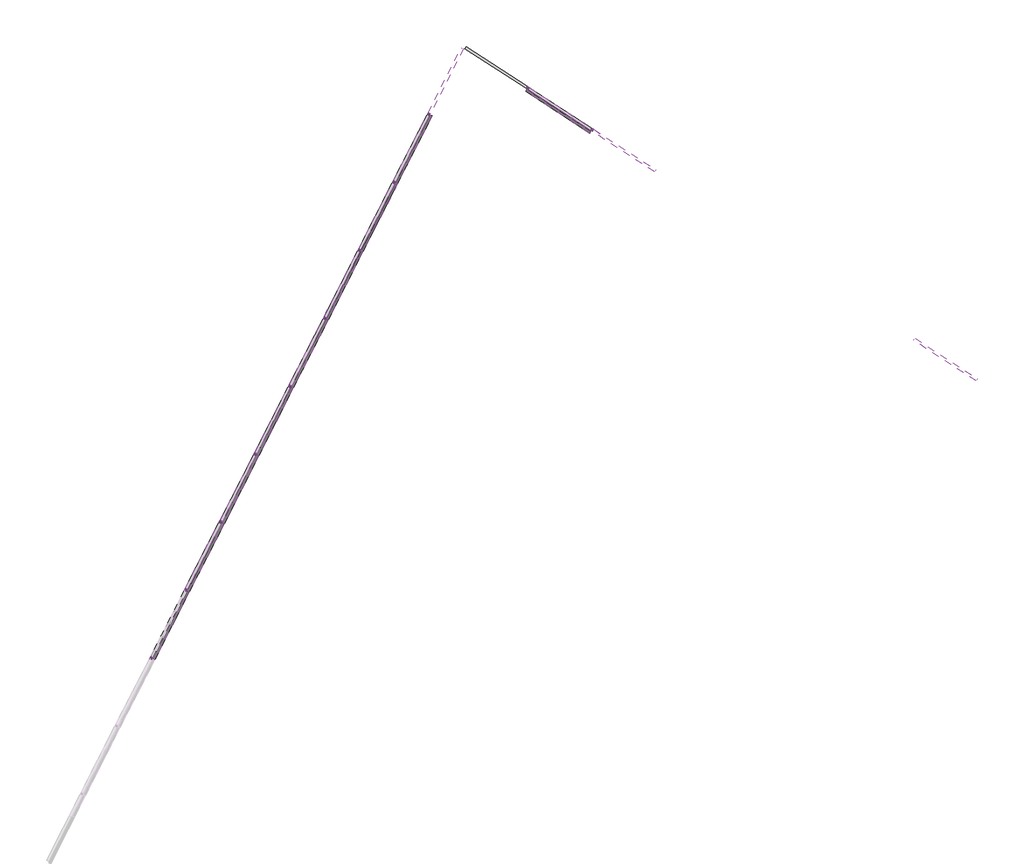
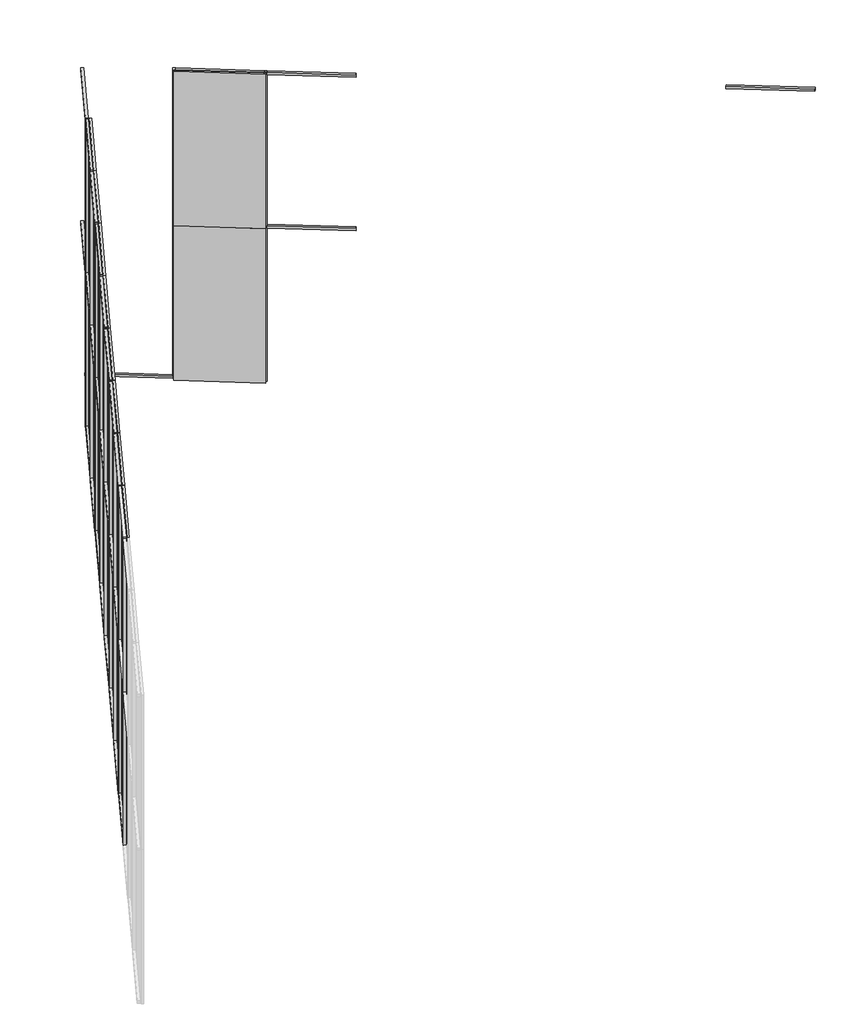
# One storey, part 28 of 36: 53 members, 18 plates.
"""IFC4 building model written with IfcOpenShell, lengths in millimetres."""

import ifcopenshell
import ifcopenshell.guid

model = None  # the IFC model being written
_history = None  # IfcOwnerHistory: only IFC2X3 demands one
_inside = {}  # id of a spatial element -> (the spatial element, [elements in it])
_under = {}  # id of a project, library or spatial element -> (it, [spatial elements below it])
_declared = {}  # id of a project -> (the project, [libraries it declares])
_typed = {}  # id of a type object -> (the type object, [elements of that type])
_made_of = {}  # id of a material, layer set ... -> (it, [elements and type objects made of it])


def new_model(schema):
    """Start an empty IFC model of exactly this schema.

    Asked for "IFC4X3", IfcOpenShell would pick the latest addendum, in which some entities
    have other attributes; the version numbers below select the first issue.
    IFC2X3 requires an IfcOwnerHistory on every rooted entity: one is made here for all.
    """
    global model, _history
    if schema == "IFC4X3":
        model = ifcopenshell.file(schema_version=(4, 3, 0, 0))
    else:
        model = ifcopenshell.file(schema=schema)
    _inside.clear()
    _under.clear()
    _declared.clear()
    _typed.clear()
    _made_of.clear()
    _history = None
    if model.schema == "IFC2X3":
        org = make("IfcOrganization", Name="unknown")
        user = make(
            "IfcPersonAndOrganization",
            ThePerson=make("IfcPerson", FamilyName="unknown"),
            TheOrganization=org,
        )
        app = make(
            "IfcApplication",
            ApplicationDeveloper=org,
            Version="unknown",
            ApplicationFullName="unknown",
            ApplicationIdentifier="unknown",
        )
        _history = make(
            "IfcOwnerHistory",
            OwningUser=user,
            OwningApplication=app,
            ChangeAction="ADDED",
            CreationDate=0,
        )
    return model


def make(cls, **values):
    """One entity of the class cls with the attributes given. An attribute that is None is left unset."""
    return model.create_entity(
        cls, **{name: value for name, value in values.items() if value is not None}
    )


def rooted(cls, **values):
    """An entity with a GlobalId (a new one), such as an element, a storey or a relation."""
    return make(cls, GlobalId=ifcopenshell.guid.new(), OwnerHistory=_history, **values)


def si_unit(unit_type, name, prefix=None):
    """IfcSIUnit, for example si_unit("LENGTHUNIT", "METRE", prefix="MILLI")."""
    return make("IfcSIUnit", UnitType=unit_type, Prefix=prefix, Name=name)


def assignment(units):
    """IfcUnitAssignment: the units of a project."""
    return None if units is None else make("IfcUnitAssignment", Units=units)


def point(xyz):
    """IfcCartesianPoint."""
    return None if xyz is None else make("IfcCartesianPoint", Coordinates=xyz)


def direction(xyz):
    """IfcDirection."""
    return None if xyz is None else make("IfcDirection", DirectionRatios=xyz)


def frame(location, z_axis=None, x_axis=None):
    """IfcAxis2Placement3D, a coordinate frame: its origin and axes. An axis left out is left unset."""
    return make(
        "IfcAxis2Placement3D",
        Location=point(location),
        Axis=direction(z_axis),
        RefDirection=direction(x_axis),
    )


def origin():
    """The frame at (0, 0, 0) with its axes left unset."""
    return frame((0.0, 0.0, 0.0))


def origin_with_axes():
    """The frame at (0, 0, 0) with the z axis (0, 0, 1) and the x axis (1, 0, 0) written out."""
    return frame((0.0, 0.0, 0.0), z_axis=(0.0, 0.0, 1.0), x_axis=(1.0, 0.0, 0.0))


def place(relative_to, where):
    """IfcLocalPlacement: puts the frame where relative to a parent placement (None: the world)."""
    return make(
        "IfcLocalPlacement", PlacementRelTo=relative_to, RelativePlacement=where
    )


def context(
    kind, dimensions, precision=None, world=None, true_north=None, identifier=None
):
    """IfcGeometricRepresentationContext, for example the 3D "Model" context."""
    return make(
        "IfcGeometricRepresentationContext",
        ContextIdentifier=identifier,
        ContextType=kind,
        CoordinateSpaceDimension=dimensions,
        Precision=precision,
        WorldCoordinateSystem=world,
        TrueNorth=true_north,
    )


def project(units=None, contexts=None):
    """IfcProject with its units and contexts."""
    return rooted(
        "IfcProject",
        Name="project",
        RepresentationContexts=contexts,
        UnitsInContext=assignment(units),
    )


def spatial(cls, under=None, at=None, **own):
    """A site, building, storey or space (cls), placed at a placement, below another one or the project."""
    s = rooted(cls, ObjectPlacement=at, **own)
    if under is not None:
        _under.setdefault(under.id(), (under, []))[1].append(s)
    return s


def polyline(points):
    """IfcPolyline through the points."""
    return make("IfcPolyline", Points=[point(p) for p in points])


def outline(outer, holes=None, kind="AREA"):
    """IfcArbitraryClosedProfileDef: a profile drawn as a closed curve; with holes, ...WithVoids."""
    if holes is None:
        return make("IfcArbitraryClosedProfileDef", ProfileType=kind, OuterCurve=outer)
    return make(
        "IfcArbitraryProfileDefWithVoids",
        ProfileType=kind,
        OuterCurve=outer,
        InnerCurves=holes,
    )


def extrude(swept, where, along, depth):
    """IfcExtrudedAreaSolid: the profile swept, set in the frame where, extruded along a direction by depth."""
    return make(
        "IfcExtrudedAreaSolid",
        SweptArea=swept,
        Position=where,
        ExtrudedDirection=direction(along),
        Depth=depth,
    )


def shape(context_of_items, identifier, shape_type, items):
    """IfcShapeRepresentation: the items that make up one representation, for example the "Body"."""
    return make(
        "IfcShapeRepresentation",
        ContextOfItems=context_of_items,
        RepresentationIdentifier=identifier,
        RepresentationType=shape_type,
        Items=items,
    )


def source(mapping_origin, context_of_items, identifier, shape_type, items):
    """IfcRepresentationMap: a shape defined once, which mapped items show again and again."""
    return make(
        "IfcRepresentationMap",
        MappingOrigin=mapping_origin,
        MappedRepresentation=shape(context_of_items, identifier, shape_type, items),
    )


def transform(
    local_origin,
    x_axis=None,
    y_axis=None,
    z_axis=None,
    scale=None,
    scale2=None,
    scale3=None,
    uniform=True,
):
    """IfcCartesianTransformationOperator3D, or its non-uniform kind. x_axis, y_axis, z_axis: its Axis1, 2, 3."""
    if uniform:
        return make(
            "IfcCartesianTransformationOperator3D",
            Axis1=direction(x_axis),
            Axis2=direction(y_axis),
            LocalOrigin=point(local_origin),
            Scale=scale,
            Axis3=direction(z_axis),
        )
    return make(
        "IfcCartesianTransformationOperator3DnonUniform",
        Axis1=direction(x_axis),
        Axis2=direction(y_axis),
        LocalOrigin=point(local_origin),
        Scale=scale,
        Axis3=direction(z_axis),
        Scale2=scale2,
        Scale3=scale3,
    )


def mapped(mapping_source, mapping_target):
    """IfcMappedItem: shows the shape of a source again, moved by a transform."""
    return make(
        "IfcMappedItem", MappingSource=mapping_source, MappingTarget=mapping_target
    )


def made_of(thing, what):
    """Note that an element or type object is made of a material, layer set ...; save() writes the relation."""
    if what is not None:
        _made_of.setdefault(what.id(), (what, []))[1].append(thing)
    return thing


def element(
    cls,
    number,
    at=None,
    inside=None,
    cuts=None,
    type_object=None,
    material=None,
    context=None,
    identifier="Body",
    shape_type=None,
    held_by="IfcProductDefinitionShape",
    body=None,
    shapes=None,
    **own,
):
    """One element of the class cls, such as IfcWall. Its Tag is "e" and its number.

    at: its placement. inside: the storey or other place that contains it. cuts: it is an
    opening in that element (IfcRelVoidsElement). A single representation is given by context,
    identifier, shape_type and body (its items); several are given by shapes. held_by: the class
    of the entity that holds the representations. save() writes the other relations.
    """
    e = rooted(cls, Tag="e%d" % number, ObjectPlacement=at, **own)
    if body is not None:
        shapes = [shape(context, identifier, shape_type, body)]
    if shapes is not None:
        e.Representation = make(held_by, Representations=shapes)
    if inside is not None:
        _inside.setdefault(inside.id(), (inside, []))[1].append(e)
    if cuts is not None:
        rooted(
            "IfcRelVoidsElement", RelatingBuildingElement=cuts, RelatedOpeningElement=e
        )
    if type_object is not None:
        _typed.setdefault(type_object.id(), (type_object, []))[1].append(e)
    return made_of(e, material)


def aggregate(whole, parts):
    """IfcRelAggregates: a whole, such as a stair, and the parts it consists of."""
    return rooted("IfcRelAggregates", RelatingObject=whole, RelatedObjects=parts)


def save(model, path):
    """Write the relations noted so far, then the file.

    IfcRelAggregates (storeys below a building ...), IfcRelContainedInSpatialStructure (elements
    in a storey), IfcRelDefinesByType, IfcRelAssociatesMaterial and IfcRelDeclares: one each for
    every whole, place, type object, material and project.
    """
    for whole, parts in _under.values():
        aggregate(whole, parts)
    for where, things in _inside.values():
        rooted(
            "IfcRelContainedInSpatialStructure",
            RelatedElements=things,
            RelatingStructure=where,
        )
    for kind, things in _typed.values():
        rooted("IfcRelDefinesByType", RelatedObjects=things, RelatingType=kind)
    for what, things in _made_of.values():
        rooted("IfcRelAssociatesMaterial", RelatedObjects=things, RelatingMaterial=what)
    for by, libraries in _declared.values():
        rooted("IfcRelDeclares", RelatingContext=by, RelatedDefinitions=libraries)
    model.write(path)


def rectangular_mullion_30mm_square_e7f0abe1(model_context):
    return source(origin(), model_context, "Body", "SweptSolid", [
        extrude(outline(polyline([(0.0, 15.0), (0.0, -15.0), (-30.0, -15.0), (-30.0, 15.0), (0.0, 15.0)])), frame((0.0, 0.0, -925.7678036), z_axis=(0.0, 0.0, 1.0), x_axis=(1.0, 0.0, 0.0)), (0.0, 0.0, 1.0), 925.7678036),
    ])


def rectangular_mullion_30mm_square_0ccf11ad(model_context):
    return source(origin(), model_context, "Body", "SweptSolid", [
        extrude(outline(polyline([(0.0, 15.0), (0.0, -15.0), (-30.0, -15.0), (-30.0, 15.0), (0.0, 15.0)])), frame((0.0, 0.0, -940.7678036), z_axis=(0.0, 0.0, 1.0), x_axis=(1.0, 0.0, 0.0)), (0.0, 0.0, 1.0), 940.7678036),
    ])


def rectangular_mullion_30mm_square_1795f99e(model_context):
    return source(origin(), model_context, "Body", "SweptSolid", [
        extrude(outline(polyline([(15.0, 15.0), (15.0, -15.0), (-15.0, -15.0), (-15.0, 15.0), (15.0, 15.0)])), frame((0.0, 0.0, -925.7678036), z_axis=(0.0, 0.0, 1.0), x_axis=(1.0, 0.0, 0.0)), (0.0, 0.0, 1.0), 925.7678036),
    ])


def rectangular_mullion_30mm_square_06505b46(model_context):
    return source(origin(), model_context, "Body", "SweptSolid", [
        extrude(outline(polyline([(15.0, 15.0), (15.0, -15.0), (-15.0, -15.0), (-15.0, 15.0), (15.0, 15.0)])), frame((0.0, 0.0, -940.7678036), z_axis=(0.0, 0.0, 1.0), x_axis=(1.0, 0.0, 0.0)), (0.0, 0.0, 1.0), 940.7678036),
    ])


def rectangular_mullion_30mm_square_1a264fd7(model_context):
    return source(origin(), model_context, "Body", "SweptSolid", [
        extrude(outline(polyline([(15.0, 15.0), (15.0, -15.0), (-15.0, -15.0), (-15.0, 15.0), (15.0, 15.0)])), frame((0.0, 0.0, -2000.0), z_axis=(0.0, 0.0, 1.0), x_axis=(1.0, 0.0, 0.0)), (0.0, 0.0, 1.0), 2000.0),
    ])


def rectangular_mullion_30mm_square_94996622(model_context):
    return source(origin(), model_context, "Body", "SweptSolid", [
        extrude(outline(polyline([(0.0, 15.0), (0.0, -15.0), (-30.0, -15.0), (-30.0, 15.0), (0.0, 15.0)])), frame((0.0, 0.0, -930.5291604), z_axis=(0.0, 0.0, 1.0), x_axis=(1.0, 0.0, 0.0)), (0.0, 0.0, 1.0), 930.5291604),
    ])


def rectangular_mullion_30mm_square_bf2679a1(model_context):
    return source(origin(), model_context, "Body", "SweptSolid", [
        extrude(outline(polyline([(0.0, 15.0), (0.0, -15.0), (-30.0, -15.0), (-30.0, 15.0), (0.0, 15.0)])), frame((0.0, 0.0, -945.5291604), z_axis=(0.0, 0.0, 1.0), x_axis=(1.0, 0.0, 0.0)), (0.0, 0.0, 1.0), 945.5291604),
    ])


def rectangular_mullion_30mm_square_2c1a85a9(model_context):
    return source(origin(), model_context, "Body", "SweptSolid", [
        extrude(outline(polyline([(15.0, 15.0), (15.0, -15.0), (-15.0, -15.0), (-15.0, 15.0), (15.0, 15.0)])), frame((0.0, 0.0, -945.5291604), z_axis=(0.0, 0.0, 1.0), x_axis=(1.0, 0.0, 0.0)), (0.0, 0.0, 1.0), 945.5291604),
    ])


def system_panel_glazed_7423400e(model_context):
    return source(origin(), model_context, "Body", "SweptSolid", [
        extrude(outline(polyline([(485.3839018, 24.5), (-485.3839018, 24.5), (-485.3839018, 49.5), (485.3839018, 49.5), (485.3839018, 24.5)])), origin_with_axes(), (0.0, 0.0, 1.0), 2000.0),
    ])


def system_panel_glazed_f4e782a6(model_context):
    return source(origin(), model_context, "Body", "SweptSolid", [
        extrude(outline(polyline([(487.7645802, 24.5), (-487.7645802, 24.5), (-487.7645802, 49.5), (487.7645802, 49.5), (487.7645802, 24.5)])), origin_with_axes(), (0.0, 0.0, 1.0), 2000.0),
    ])


model = new_model("IFC4")

# Units and contexts
model_context = context("Model", 3, world=origin())
ifc_project = project(units=[si_unit("LENGTHUNIT", "METRE", prefix="MILLI")], contexts=[model_context])

# Site, building, storey
site = spatial("IfcSite", under=ifc_project)
building = spatial("IfcBuilding", under=site)
storey = spatial("IfcBuildingStorey", under=building, Elevation=8680.0)

# Members
placement = place(None, origin())
rectangular_mullion_30mm_square_shape = rectangular_mullion_30mm_square_e7f0abe1(model_context)
element("IfcMember", 1, ObjectType="Rectangular Mullion : 30mm Square", at=placement, inside=storey, context=model_context, shape_type="MappedRepresentation", body=[
    mapped(rectangular_mullion_30mm_square_shape, transform((-278309.3774428, 95616.2852906, 12680.0), x_axis=(0.0, 0.0, 1.0), y_axis=(-0.8906805985626228, 0.4546295979631419, 0.0), z_axis=(-0.4546295979631419, -0.8906805985626228, 0.0))),
])
rectangular_mullion_30mm_square_2_shape = rectangular_mullion_30mm_square_0ccf11ad(model_context)
element("IfcMember", 2, ObjectType="Rectangular Mullion : 30mm Square", at=placement, inside=storey, context=model_context, shape_type="MappedRepresentation", body=[
    mapped(rectangular_mullion_30mm_square_2_shape, transform((-278750.7172191, 94751.6412422, 12680.0), x_axis=(0.0, 0.0, 1.0), y_axis=(-0.8906805985626228, 0.4546295979631419, 0.0), z_axis=(-0.4546295979631419, -0.8906805985626228, 0.0))),
])
element("IfcMember", 3, ObjectType="Rectangular Mullion : 30mm Square", at=placement, inside=storey, context=model_context, shape_type="MappedRepresentation", body=[
    mapped(rectangular_mullion_30mm_square_2_shape, transform((-279192.0569954, 93886.9971938, 12680.0), x_axis=(0.0, 0.0, 1.0), y_axis=(-0.8906805985626083, 0.45462959796317015, 0.0), z_axis=(-0.45462959796317015, -0.8906805985626083, 0.0))),
])
element("IfcMember", 4, ObjectType="Rectangular Mullion : 30mm Square", at=placement, inside=storey, context=model_context, shape_type="MappedRepresentation", body=[
    mapped(rectangular_mullion_30mm_square_2_shape, transform((-279633.3967717, 93022.3531454, 12680.0), x_axis=(0.0, 0.0, 1.0), y_axis=(-0.8906805985626373, 0.45462959796311353, 0.0), z_axis=(-0.45462959796311353, -0.8906805985626373, 0.0))),
])
element("IfcMember", 5, ObjectType="Rectangular Mullion : 30mm Square", at=placement, inside=storey, context=model_context, shape_type="MappedRepresentation", body=[
    mapped(rectangular_mullion_30mm_square_2_shape, transform((-280074.736548, 92157.709097, 12680.0), x_axis=(0.0, 0.0, 1.0), y_axis=(-0.8906805985626083, 0.45462959796317015, 0.0), z_axis=(-0.45462959796317015, -0.8906805985626083, 0.0))),
])
element("IfcMember", 6, ObjectType="Rectangular Mullion : 30mm Square", at=placement, inside=storey, context=model_context, shape_type="MappedRepresentation", body=[
    mapped(rectangular_mullion_30mm_square_2_shape, transform((-280516.0763242, 91293.0650486, 12680.0), x_axis=(0.0, 0.0, 1.0), y_axis=(-0.8906805985626265, 0.4546295979631347, 0.0), z_axis=(-0.4546295979631347, -0.8906805985626265, 0.0))),
])
element("IfcMember", 7, ObjectType="Rectangular Mullion : 30mm Square", at=placement, inside=storey, context=model_context, shape_type="MappedRepresentation", body=[
    mapped(rectangular_mullion_30mm_square_2_shape, transform((-280957.4161005, 90428.4210002, 12680.0), x_axis=(0.0, 0.0, 1.0), y_axis=(-0.8906805985626228, 0.4546295979631419, 0.0), z_axis=(-0.4546295979631419, -0.8906805985626228, 0.0))),
])
element("IfcMember", 8, ObjectType="Rectangular Mullion : 30mm Square", at=placement, inside=storey, context=model_context, shape_type="MappedRepresentation", body=[
    mapped(rectangular_mullion_30mm_square_2_shape, transform((-281398.7558768, 89563.7769518, 12680.0), x_axis=(0.0, 0.0, 1.0), y_axis=(-0.8906805985626228, 0.4546295979631419, 0.0), z_axis=(-0.4546295979631419, -0.8906805985626228, 0.0))),
])
element("IfcMember", 9, ObjectType="Rectangular Mullion : 30mm Square", at=placement, inside=storey, context=model_context, shape_type="MappedRepresentation", body=[
    mapped(rectangular_mullion_30mm_square_2_shape, transform((-278323.0163308, 95589.5648727, 8680.0), x_axis=(0.0, 0.0, -1.0), y_axis=(-0.8906805985626228, 0.4546295979631419, 0.0), z_axis=(0.4546295979631419, 0.8906805985626228, 0.0))),
])
element("IfcMember", 10, ObjectType="Rectangular Mullion : 30mm Square", at=placement, inside=storey, context=model_context, shape_type="MappedRepresentation", body=[
    mapped(rectangular_mullion_30mm_square_2_shape, transform((-278764.3561071, 94724.9208243, 8680.0), x_axis=(0.0, 0.0, -1.0), y_axis=(-0.8906805985626228, 0.4546295979631419, 0.0), z_axis=(0.4546295979631419, 0.8906805985626228, 0.0))),
])
element("IfcMember", 11, ObjectType="Rectangular Mullion : 30mm Square", at=placement, inside=storey, context=model_context, shape_type="MappedRepresentation", body=[
    mapped(rectangular_mullion_30mm_square_2_shape, transform((-279205.6958833, 93860.2767759, 8680.0), x_axis=(0.0, 0.0, -1.0), y_axis=(-0.8906805985626228, 0.4546295979631419, 0.0), z_axis=(0.4546295979631419, 0.8906805985626228, 0.0))),
])
element("IfcMember", 12, ObjectType="Rectangular Mullion : 30mm Square", at=placement, inside=storey, context=model_context, shape_type="MappedRepresentation", body=[
    mapped(rectangular_mullion_30mm_square_2_shape, transform((-279647.0356596, 92995.6327275, 8680.0), x_axis=(0.0, 0.0, -1.0), y_axis=(-0.8906805985626121, 0.454629597963163, 0.0), z_axis=(0.45462959796316293, 0.890680598562612, 0.0))),
])
element("IfcMember", 13, ObjectType="Rectangular Mullion : 30mm Square", at=placement, inside=storey, context=model_context, shape_type="MappedRepresentation", body=[
    mapped(rectangular_mullion_30mm_square_2_shape, transform((-280088.3754359, 92130.9886791, 8680.0), x_axis=(0.0, 0.0, -1.0), y_axis=(-0.8906805985626192, 0.4546295979631491, 0.0), z_axis=(0.4546295979631491, 0.8906805985626192, 0.0))),
])
element("IfcMember", 14, ObjectType="Rectangular Mullion : 30mm Square", at=placement, inside=storey, context=model_context, shape_type="MappedRepresentation", body=[
    mapped(rectangular_mullion_30mm_square_2_shape, transform((-280529.7152122, 91266.3446307, 8680.0), x_axis=(0.0, 0.0, -1.0), y_axis=(-0.8906805985626265, 0.4546295979631347, 0.0), z_axis=(0.4546295979631347, 0.8906805985626265, 0.0))),
])
element("IfcMember", 15, ObjectType="Rectangular Mullion : 30mm Square", at=placement, inside=storey, context=model_context, shape_type="MappedRepresentation", body=[
    mapped(rectangular_mullion_30mm_square_2_shape, transform((-280971.0549885, 90401.7005822, 8680.0), x_axis=(0.0, 0.0, -1.0), y_axis=(-0.8906805985626228, 0.4546295979631419, 0.0), z_axis=(0.4546295979631419, 0.8906805985626228, 0.0))),
])
element("IfcMember", 16, ObjectType="Rectangular Mullion : 30mm Square", at=placement, inside=storey, context=model_context, shape_type="MappedRepresentation", body=[
    mapped(rectangular_mullion_30mm_square_2_shape, transform((-281412.3947647, 89537.0565338, 8680.0), x_axis=(0.0, 0.0, -1.0), y_axis=(-0.8906805985626228, 0.4546295979631419, 0.0), z_axis=(0.4546295979631419, 0.8906805985626228, 0.0))),
])
rectangular_mullion_30mm_square_3_shape = rectangular_mullion_30mm_square_1795f99e(model_context)
element("IfcMember", 17, ObjectType="Rectangular Mullion : 30mm Square", at=placement, inside=storey, context=model_context, shape_type="MappedRepresentation", body=[
    mapped(rectangular_mullion_30mm_square_3_shape, transform((-278309.3774428, 95616.2852906, 10680.0), x_axis=(0.0, 0.0, 1.0), y_axis=(-0.8906805985626228, 0.4546295979631419, 0.0), z_axis=(-0.4546295979631419, -0.8906805985626228, 0.0))),
])
rectangular_mullion_30mm_square_4_shape = rectangular_mullion_30mm_square_06505b46(model_context)
element("IfcMember", 18, ObjectType="Rectangular Mullion : 30mm Square", at=placement, inside=storey, context=model_context, shape_type="MappedRepresentation", body=[
    mapped(rectangular_mullion_30mm_square_4_shape, transform((-278750.7172191, 94751.6412422, 10680.0), x_axis=(0.0, 0.0, 1.0), y_axis=(-0.8906805985626228, 0.4546295979631419, 0.0), z_axis=(-0.4546295979631419, -0.8906805985626228, 0.0))),
])
element("IfcMember", 19, ObjectType="Rectangular Mullion : 30mm Square", at=placement, inside=storey, context=model_context, shape_type="MappedRepresentation", body=[
    mapped(rectangular_mullion_30mm_square_4_shape, transform((-279192.0569954, 93886.9971938, 10680.0), x_axis=(0.0, 0.0, 1.0), y_axis=(-0.8906805985626228, 0.4546295979631419, 0.0), z_axis=(-0.4546295979631419, -0.8906805985626228, 0.0))),
])
element("IfcMember", 20, ObjectType="Rectangular Mullion : 30mm Square", at=placement, inside=storey, context=model_context, shape_type="MappedRepresentation", body=[
    mapped(rectangular_mullion_30mm_square_4_shape, transform((-279633.3967717, 93022.3531454, 10680.0), x_axis=(0.0, 0.0, 1.0), y_axis=(-0.8906805985626228, 0.4546295979631419, 0.0), z_axis=(-0.4546295979631419, -0.8906805985626228, 0.0))),
])
element("IfcMember", 21, ObjectType="Rectangular Mullion : 30mm Square", at=placement, inside=storey, context=model_context, shape_type="MappedRepresentation", body=[
    mapped(rectangular_mullion_30mm_square_4_shape, transform((-280074.736548, 92157.709097, 10680.0), x_axis=(0.0, 0.0, 1.0), y_axis=(-0.8906805985626083, 0.45462959796317015, 0.0), z_axis=(-0.45462959796317015, -0.8906805985626083, 0.0))),
])
element("IfcMember", 22, ObjectType="Rectangular Mullion : 30mm Square", at=placement, inside=storey, context=model_context, shape_type="MappedRepresentation", body=[
    mapped(rectangular_mullion_30mm_square_4_shape, transform((-280516.0763242, 91293.0650486, 10680.0), x_axis=(0.0, 0.0, 1.0), y_axis=(-0.8906805985626265, 0.4546295979631347, 0.0), z_axis=(-0.4546295979631347, -0.8906805985626265, 0.0))),
])
element("IfcMember", 23, ObjectType="Rectangular Mullion : 30mm Square", at=placement, inside=storey, context=model_context, shape_type="MappedRepresentation", body=[
    mapped(rectangular_mullion_30mm_square_4_shape, transform((-280957.4161005, 90428.4210002, 10680.0), x_axis=(0.0, 0.0, 1.0), y_axis=(-0.8906805985626228, 0.4546295979631419, 0.0), z_axis=(-0.4546295979631419, -0.8906805985626228, 0.0))),
])
element("IfcMember", 24, ObjectType="Rectangular Mullion : 30mm Square", at=placement, inside=storey, context=model_context, shape_type="MappedRepresentation", body=[
    mapped(rectangular_mullion_30mm_square_4_shape, transform((-281398.7558768, 89563.7769518, 10680.0), x_axis=(0.0, 0.0, 1.0), y_axis=(-0.8906805985626228, 0.4546295979631419, 0.0), z_axis=(-0.4546295979631419, -0.8906805985626228, 0.0))),
])
rectangular_mullion_30mm_square_5_shape = rectangular_mullion_30mm_square_1a264fd7(model_context)
element("IfcMember", 25, ObjectType="Rectangular Mullion : 30mm Square", at=placement, inside=storey, context=model_context, shape_type="MappedRepresentation", body=[
    mapped(rectangular_mullion_30mm_square_5_shape, transform((-278316.1968868, 95602.9250817, 8680.0), x_axis=(-0.4546295979631433, -0.890680598562622, 0.0), y_axis=(-0.890680598562622, 0.4546295979631433, 0.0), z_axis=(0.0, 0.0, -1.0))),
])
element("IfcMember", 26, ObjectType="Rectangular Mullion : 30mm Square", at=placement, inside=storey, context=model_context, shape_type="MappedRepresentation", body=[
    mapped(rectangular_mullion_30mm_square_5_shape, transform((-278757.5366631, 94738.2810333, 8680.0), x_axis=(-0.4546295979631433, -0.890680598562622, 0.0), y_axis=(-0.890680598562622, 0.4546295979631433, 0.0), z_axis=(0.0, 0.0, -1.0))),
])
element("IfcMember", 27, ObjectType="Rectangular Mullion : 30mm Square", at=placement, inside=storey, context=model_context, shape_type="MappedRepresentation", body=[
    mapped(rectangular_mullion_30mm_square_5_shape, transform((-279198.8764394, 93873.6369849, 8680.0), x_axis=(-0.4546295979631433, -0.890680598562622, 0.0), y_axis=(-0.890680598562622, 0.4546295979631433, 0.0), z_axis=(0.0, 0.0, -1.0))),
])
element("IfcMember", 28, ObjectType="Rectangular Mullion : 30mm Square", at=placement, inside=storey, context=model_context, shape_type="MappedRepresentation", body=[
    mapped(rectangular_mullion_30mm_square_5_shape, transform((-279640.2162156, 93008.9929364, 8680.0), x_axis=(-0.4546295979631433, -0.890680598562622, 0.0), y_axis=(-0.890680598562622, 0.4546295979631433, 0.0), z_axis=(0.0, 0.0, -1.0))),
])
element("IfcMember", 29, ObjectType="Rectangular Mullion : 30mm Square", at=placement, inside=storey, context=model_context, shape_type="MappedRepresentation", body=[
    mapped(rectangular_mullion_30mm_square_5_shape, transform((-280081.5559919, 92144.348888, 8680.0), x_axis=(-0.4546295979631433, -0.890680598562622, 0.0), y_axis=(-0.890680598562622, 0.4546295979631433, 0.0), z_axis=(0.0, 0.0, -1.0))),
])
element("IfcMember", 30, ObjectType="Rectangular Mullion : 30mm Square", at=placement, inside=storey, context=model_context, shape_type="MappedRepresentation", body=[
    mapped(rectangular_mullion_30mm_square_5_shape, transform((-280522.8957682, 91279.7048396, 8680.0), x_axis=(-0.4546295979631433, -0.890680598562622, 0.0), y_axis=(-0.890680598562622, 0.4546295979631433, 0.0), z_axis=(0.0, 0.0, -1.0))),
])
element("IfcMember", 31, ObjectType="Rectangular Mullion : 30mm Square", at=placement, inside=storey, context=model_context, shape_type="MappedRepresentation", body=[
    mapped(rectangular_mullion_30mm_square_5_shape, transform((-280964.2355445, 90415.0607912, 8680.0), x_axis=(-0.4546295979631433, -0.890680598562622, 0.0), y_axis=(-0.890680598562622, 0.4546295979631433, 0.0), z_axis=(0.0, 0.0, -1.0))),
])
element("IfcMember", 32, ObjectType="Rectangular Mullion : 30mm Square", at=placement, inside=storey, context=model_context, shape_type="MappedRepresentation", body=[
    mapped(rectangular_mullion_30mm_square_5_shape, transform((-281405.5753208, 89550.4167428, 8680.0), x_axis=(-0.4546295979631433, -0.890680598562622, 0.0), y_axis=(-0.890680598562622, 0.4546295979631433, 0.0), z_axis=(0.0, 0.0, -1.0))),
])
element("IfcMember", 33, ObjectType="Rectangular Mullion : 30mm Square", at=placement, inside=storey, context=model_context, shape_type="MappedRepresentation", body=[
    mapped(rectangular_mullion_30mm_square_5_shape, transform((-281846.9150971, 88685.7726944, 8680.0), x_axis=(-0.4546295979631433, -0.890680598562622, 0.0), y_axis=(-0.890680598562622, 0.4546295979631433, 0.0), z_axis=(0.0, 0.0, -1.0))),
])
element("IfcMember", 34, ObjectType="Rectangular Mullion : 30mm Square", at=placement, inside=storey, context=model_context, shape_type="MappedRepresentation", body=[
    mapped(rectangular_mullion_30mm_square_5_shape, transform((-276239.0282636, 95404.2288482, 8680.0), x_axis=(-0.8384315473249511, 0.5450069178003967, 0.0), y_axis=(0.5450069178003967, 0.8384315473249511, 0.0), z_axis=(0.0, 0.0, -1.0))),
])
element("IfcMember", 35, ObjectType="Rectangular Mullion : 30mm Square", at=placement, inside=storey, context=model_context, shape_type="MappedRepresentation", body=[
    mapped(rectangular_mullion_30mm_square_5_shape, transform((-277056.9426871, 95935.8989891, 8680.0), x_axis=(-0.8384315473249511, 0.5450069178003967, 0.0), y_axis=(0.5450069178003967, 0.8384315473249511, 0.0), z_axis=(0.0, 0.0, -1.0))),
])
element("IfcMember", 36, ObjectType="Rectangular Mullion : 30mm Square", at=placement, inside=storey, context=model_context, shape_type="MappedRepresentation", body=[
    mapped(rectangular_mullion_30mm_square_5_shape, transform((-278316.1968868, 95602.9250817, 10680.0), x_axis=(-0.4546295979631433, -0.890680598562622, 0.0), y_axis=(-0.890680598562622, 0.4546295979631433, 0.0), z_axis=(0.0, 0.0, -1.0))),
])
element("IfcMember", 37, ObjectType="Rectangular Mullion : 30mm Square", at=placement, inside=storey, context=model_context, shape_type="MappedRepresentation", body=[
    mapped(rectangular_mullion_30mm_square_5_shape, transform((-278757.5366631, 94738.2810333, 10680.0), x_axis=(-0.4546295979631433, -0.890680598562622, 0.0), y_axis=(-0.890680598562622, 0.4546295979631433, 0.0), z_axis=(0.0, 0.0, -1.0))),
])
element("IfcMember", 38, ObjectType="Rectangular Mullion : 30mm Square", at=placement, inside=storey, context=model_context, shape_type="MappedRepresentation", body=[
    mapped(rectangular_mullion_30mm_square_5_shape, transform((-279198.8764394, 93873.6369849, 10680.0), x_axis=(-0.4546295979631433, -0.890680598562622, 0.0), y_axis=(-0.890680598562622, 0.4546295979631433, 0.0), z_axis=(0.0, 0.0, -1.0))),
])
element("IfcMember", 39, ObjectType="Rectangular Mullion : 30mm Square", at=placement, inside=storey, context=model_context, shape_type="MappedRepresentation", body=[
    mapped(rectangular_mullion_30mm_square_5_shape, transform((-279640.2162156, 93008.9929364, 10680.0), x_axis=(-0.4546295979631433, -0.890680598562622, 0.0), y_axis=(-0.890680598562622, 0.4546295979631433, 0.0), z_axis=(0.0, 0.0, -1.0))),
])
element("IfcMember", 40, ObjectType="Rectangular Mullion : 30mm Square", at=placement, inside=storey, context=model_context, shape_type="MappedRepresentation", body=[
    mapped(rectangular_mullion_30mm_square_5_shape, transform((-280081.5559919, 92144.348888, 10680.0), x_axis=(-0.4546295979631433, -0.890680598562622, 0.0), y_axis=(-0.890680598562622, 0.4546295979631433, 0.0), z_axis=(0.0, 0.0, -1.0))),
])
element("IfcMember", 41, ObjectType="Rectangular Mullion : 30mm Square", at=placement, inside=storey, context=model_context, shape_type="MappedRepresentation", body=[
    mapped(rectangular_mullion_30mm_square_5_shape, transform((-280522.8957682, 91279.7048396, 10680.0), x_axis=(-0.4546295979631433, -0.890680598562622, 0.0), y_axis=(-0.890680598562622, 0.4546295979631433, 0.0), z_axis=(0.0, 0.0, -1.0))),
])
element("IfcMember", 42, ObjectType="Rectangular Mullion : 30mm Square", at=placement, inside=storey, context=model_context, shape_type="MappedRepresentation", body=[
    mapped(rectangular_mullion_30mm_square_5_shape, transform((-280964.2355445, 90415.0607912, 10680.0), x_axis=(-0.4546295979631433, -0.890680598562622, 0.0), y_axis=(-0.890680598562622, 0.4546295979631433, 0.0), z_axis=(0.0, 0.0, -1.0))),
])
element("IfcMember", 43, ObjectType="Rectangular Mullion : 30mm Square", at=placement, inside=storey, context=model_context, shape_type="MappedRepresentation", body=[
    mapped(rectangular_mullion_30mm_square_5_shape, transform((-281405.5753208, 89550.4167428, 10680.0), x_axis=(-0.4546295979631433, -0.890680598562622, 0.0), y_axis=(-0.890680598562622, 0.4546295979631433, 0.0), z_axis=(0.0, 0.0, -1.0))),
])
element("IfcMember", 44, ObjectType="Rectangular Mullion : 30mm Square", at=placement, inside=storey, context=model_context, shape_type="MappedRepresentation", body=[
    mapped(rectangular_mullion_30mm_square_5_shape, transform((-281846.9150971, 88685.7726944, 10680.0), x_axis=(-0.4546295979631433, -0.890680598562622, 0.0), y_axis=(-0.890680598562622, 0.4546295979631433, 0.0), z_axis=(0.0, 0.0, -1.0))),
])
element("IfcMember", 45, ObjectType="Rectangular Mullion : 30mm Square", at=placement, inside=storey, context=model_context, shape_type="MappedRepresentation", body=[
    mapped(rectangular_mullion_30mm_square_5_shape, transform((-276239.0282636, 95404.2288482, 10680.0), x_axis=(-0.8384315473249511, 0.5450069178003967, 0.0), y_axis=(0.5450069178003967, 0.8384315473249511, 0.0), z_axis=(0.0, 0.0, -1.0))),
])
element("IfcMember", 46, ObjectType="Rectangular Mullion : 30mm Square", at=placement, inside=storey, context=model_context, shape_type="MappedRepresentation", body=[
    mapped(rectangular_mullion_30mm_square_5_shape, transform((-277056.9426871, 95935.8989891, 10680.0), x_axis=(-0.8384315473249511, 0.5450069178003967, 0.0), y_axis=(0.5450069178003967, 0.8384315473249511, 0.0), z_axis=(0.0, 0.0, -1.0))),
])
rectangular_mullion_30mm_square_6_shape = rectangular_mullion_30mm_square_94996622(model_context)
element("IfcMember", 47, ObjectType="Rectangular Mullion : 30mm Square", at=placement, inside=storey, context=model_context, shape_type="MappedRepresentation", body=[
    mapped(rectangular_mullion_30mm_square_6_shape, transform((-277069.5191603, 95944.0740929, 8680.0), x_axis=(0.0, 0.0, -1.0), y_axis=(0.5450069178003885, 0.8384315473249564, 0.0), z_axis=(0.8384315473249564, -0.5450069178003885, 0.0))),
])
rectangular_mullion_30mm_square_7_shape = rectangular_mullion_30mm_square_bf2679a1(model_context)
element("IfcMember", 48, ObjectType="Rectangular Mullion : 30mm Square", at=placement, inside=storey, context=model_context, shape_type="MappedRepresentation", body=[
    mapped(rectangular_mullion_30mm_square_7_shape, transform((-272136.8796732, 92737.7030396, 12680.0), x_axis=(0.0, 0.0, 1.0), y_axis=(0.5450069178004098, 0.8384315473249426, 0.0), z_axis=(-0.8384315473249425, 0.5450069178004097, 0.0))),
])
element("IfcMember", 49, ObjectType="Rectangular Mullion : 30mm Square", at=placement, inside=storey, context=model_context, shape_type="MappedRepresentation", body=[
    mapped(rectangular_mullion_30mm_square_7_shape, transform((-276226.4517904, 95396.0537444, 12680.0), x_axis=(0.0, 0.0, 1.0), y_axis=(0.5450069178003972, 0.8384315473249507, 0.0), z_axis=(-0.8384315473249507, 0.5450069178003972, 0.0))),
])
element("IfcMember", 50, ObjectType="Rectangular Mullion : 30mm Square", at=placement, inside=storey, context=model_context, shape_type="MappedRepresentation", body=[
    mapped(rectangular_mullion_30mm_square_7_shape, transform((-277044.3662139, 95927.7238853, 12680.0), x_axis=(0.0, 0.0, 1.0), y_axis=(0.5450069178004098, 0.8384315473249426, 0.0), z_axis=(-0.8384315473249425, 0.5450069178004097, 0.0))),
])
element("IfcMember", 51, ObjectType="Rectangular Mullion : 30mm Square", at=placement, inside=storey, context=model_context, shape_type="MappedRepresentation", body=[
    mapped(rectangular_mullion_30mm_square_7_shape, transform((-276251.6047368, 95412.4039519, 8680.0), x_axis=(0.0, 0.0, -1.0), y_axis=(0.5450069178004098, 0.8384315473249426, 0.0), z_axis=(0.8384315473249425, -0.5450069178004097, 0.0))),
])
rectangular_mullion_30mm_square_8_shape = rectangular_mullion_30mm_square_2c1a85a9(model_context)
element("IfcMember", 52, ObjectType="Rectangular Mullion : 30mm Square", at=placement, inside=storey, context=model_context, shape_type="MappedRepresentation", body=[
    mapped(rectangular_mullion_30mm_square_8_shape, transform((-276226.4517904, 95396.0537444, 10680.0), x_axis=(0.0, 0.0, 1.0), y_axis=(0.5450069178003972, 0.8384315473249507, 0.0), z_axis=(-0.8384315473249507, 0.5450069178003972, 0.0))),
])
element("IfcMember", 53, ObjectType="Rectangular Mullion : 30mm Square", at=placement, inside=storey, context=model_context, shape_type="MappedRepresentation", body=[
    mapped(rectangular_mullion_30mm_square_8_shape, transform((-277044.3662139, 95927.7238853, 10680.0), x_axis=(0.0, 0.0, 1.0), y_axis=(0.5450069178004098, 0.8384315473249426, 0.0), z_axis=(-0.8384315473249425, 0.5450069178004097, 0.0))),
])

# Plates
system_panel_glazed_shape = system_panel_glazed_7423400e(model_context)
element("IfcPlate", 54, ObjectType="System Panel : Glazed", at=placement, inside=storey, context=model_context, shape_type="MappedRepresentation", body=[
    mapped(system_panel_glazed_shape, transform((-278536.8667749, 95170.6030575, 8680.0), x_axis=(-0.4546295979631433, -0.890680598562622, 0.0), y_axis=(0.890680598562622, -0.4546295979631433, 0.0), z_axis=(0.0, 0.0, 1.0))),
])
element("IfcPlate", 55, ObjectType="System Panel : Glazed", at=placement, inside=storey, context=model_context, shape_type="MappedRepresentation", body=[
    mapped(system_panel_glazed_shape, transform((-278978.2065512, 94305.9590091, 8680.0), x_axis=(-0.4546295979631433, -0.890680598562622, 0.0), y_axis=(0.890680598562622, -0.4546295979631433, 0.0), z_axis=(0.0, 0.0, 1.0))),
])
element("IfcPlate", 56, ObjectType="System Panel : Glazed", at=placement, inside=storey, context=model_context, shape_type="MappedRepresentation", body=[
    mapped(system_panel_glazed_shape, transform((-279419.5463275, 93441.3149606, 8680.0), x_axis=(-0.4546295979631433, -0.890680598562622, 0.0), y_axis=(0.890680598562622, -0.4546295979631433, 0.0), z_axis=(0.0, 0.0, 1.0))),
])
element("IfcPlate", 57, ObjectType="System Panel : Glazed", at=placement, inside=storey, context=model_context, shape_type="MappedRepresentation", body=[
    mapped(system_panel_glazed_shape, transform((-279860.8861038, 92576.6709122, 8680.0), x_axis=(-0.4546295979631433, -0.890680598562622, 0.0), y_axis=(0.890680598562622, -0.4546295979631433, 0.0), z_axis=(0.0, 0.0, 1.0))),
])
element("IfcPlate", 58, ObjectType="System Panel : Glazed", at=placement, inside=storey, context=model_context, shape_type="MappedRepresentation", body=[
    mapped(system_panel_glazed_shape, transform((-280302.2258801, 91712.0268638, 8680.0), x_axis=(-0.4546295979631433, -0.890680598562622, 0.0), y_axis=(0.890680598562622, -0.4546295979631433, 0.0), z_axis=(0.0, 0.0, 1.0))),
])
element("IfcPlate", 59, ObjectType="System Panel : Glazed", at=placement, inside=storey, context=model_context, shape_type="MappedRepresentation", body=[
    mapped(system_panel_glazed_shape, transform((-280743.5656564, 90847.3828154, 8680.0), x_axis=(-0.4546295979631433, -0.890680598562622, 0.0), y_axis=(0.890680598562622, -0.4546295979631433, 0.0), z_axis=(0.0, 0.0, 1.0))),
])
element("IfcPlate", 60, ObjectType="System Panel : Glazed", at=placement, inside=storey, context=model_context, shape_type="MappedRepresentation", body=[
    mapped(system_panel_glazed_shape, transform((-281184.9054326, 89982.738767, 8680.0), x_axis=(-0.4546295979631433, -0.890680598562622, 0.0), y_axis=(0.890680598562622, -0.4546295979631433, 0.0), z_axis=(0.0, 0.0, 1.0))),
])
element("IfcPlate", 61, ObjectType="System Panel : Glazed", at=placement, inside=storey, context=model_context, shape_type="MappedRepresentation", body=[
    mapped(system_panel_glazed_shape, transform((-281626.2452089, 89118.0947186, 8680.0), x_axis=(-0.4546295979631433, -0.890680598562622, 0.0), y_axis=(0.890680598562622, -0.4546295979631433, 0.0), z_axis=(0.0, 0.0, 1.0))),
])
element("IfcPlate", 62, ObjectType="System Panel : Glazed", at=placement, inside=storey, context=model_context, shape_type="MappedRepresentation", body=[
    mapped(system_panel_glazed_shape, transform((-278536.8667749, 95170.6030575, 10680.0), x_axis=(-0.4546295979631433, -0.890680598562622, 0.0), y_axis=(0.890680598562622, -0.4546295979631433, 0.0), z_axis=(0.0, 0.0, 1.0))),
])
element("IfcPlate", 63, ObjectType="System Panel : Glazed", at=placement, inside=storey, context=model_context, shape_type="MappedRepresentation", body=[
    mapped(system_panel_glazed_shape, transform((-278978.2065512, 94305.9590091, 10680.0), x_axis=(-0.4546295979631433, -0.890680598562622, 0.0), y_axis=(0.890680598562622, -0.4546295979631433, 0.0), z_axis=(0.0, 0.0, 1.0))),
])
element("IfcPlate", 64, ObjectType="System Panel : Glazed", at=placement, inside=storey, context=model_context, shape_type="MappedRepresentation", body=[
    mapped(system_panel_glazed_shape, transform((-279419.5463275, 93441.3149606, 10680.0), x_axis=(-0.4546295979631433, -0.890680598562622, 0.0), y_axis=(0.890680598562622, -0.4546295979631433, 0.0), z_axis=(0.0, 0.0, 1.0))),
])
element("IfcPlate", 65, ObjectType="System Panel : Glazed", at=placement, inside=storey, context=model_context, shape_type="MappedRepresentation", body=[
    mapped(system_panel_glazed_shape, transform((-279860.8861038, 92576.6709122, 10680.0), x_axis=(-0.4546295979631433, -0.890680598562622, 0.0), y_axis=(0.890680598562622, -0.4546295979631433, 0.0), z_axis=(0.0, 0.0, 1.0))),
])
element("IfcPlate", 66, ObjectType="System Panel : Glazed", at=placement, inside=storey, context=model_context, shape_type="MappedRepresentation", body=[
    mapped(system_panel_glazed_shape, transform((-280302.2258801, 91712.0268638, 10680.0), x_axis=(-0.4546295979631433, -0.890680598562622, 0.0), y_axis=(0.890680598562622, -0.4546295979631433, 0.0), z_axis=(0.0, 0.0, 1.0))),
])
element("IfcPlate", 67, ObjectType="System Panel : Glazed", at=placement, inside=storey, context=model_context, shape_type="MappedRepresentation", body=[
    mapped(system_panel_glazed_shape, transform((-280743.5656564, 90847.3828154, 10680.0), x_axis=(-0.4546295979631433, -0.890680598562622, 0.0), y_axis=(0.890680598562622, -0.4546295979631433, 0.0), z_axis=(0.0, 0.0, 1.0))),
])
element("IfcPlate", 68, ObjectType="System Panel : Glazed", at=placement, inside=storey, context=model_context, shape_type="MappedRepresentation", body=[
    mapped(system_panel_glazed_shape, transform((-281184.9054326, 89982.738767, 10680.0), x_axis=(-0.4546295979631433, -0.890680598562622, 0.0), y_axis=(0.890680598562622, -0.4546295979631433, 0.0), z_axis=(0.0, 0.0, 1.0))),
])
element("IfcPlate", 69, ObjectType="System Panel : Glazed", at=placement, inside=storey, context=model_context, shape_type="MappedRepresentation", body=[
    mapped(system_panel_glazed_shape, transform((-281626.2452089, 89118.0947186, 10680.0), x_axis=(-0.4546295979631433, -0.890680598562622, 0.0), y_axis=(0.890680598562622, -0.4546295979631433, 0.0), z_axis=(0.0, 0.0, 1.0))),
])
system_panel_glazed_2_shape = system_panel_glazed_f4e782a6(model_context)
element("IfcPlate", 70, ObjectType="System Panel : Glazed", at=placement, inside=storey, context=model_context, shape_type="MappedRepresentation", body=[
    mapped(system_panel_glazed_2_shape, transform((-276647.9854754, 95670.0639186, 8680.0), x_axis=(-0.8384315473249511, 0.5450069178003967, 0.0), y_axis=(-0.5450069178003967, -0.8384315473249511, 0.0), z_axis=(0.0, 0.0, 1.0))),
])
element("IfcPlate", 71, ObjectType="System Panel : Glazed", at=placement, inside=storey, context=model_context, shape_type="MappedRepresentation", body=[
    mapped(system_panel_glazed_2_shape, transform((-276647.9854754, 95670.0639186, 10680.0), x_axis=(-0.8384315473249511, 0.5450069178003967, 0.0), y_axis=(-0.5450069178003967, -0.8384315473249511, 0.0), z_axis=(0.0, 0.0, 1.0))),
])

save(model, "model.ifc")
